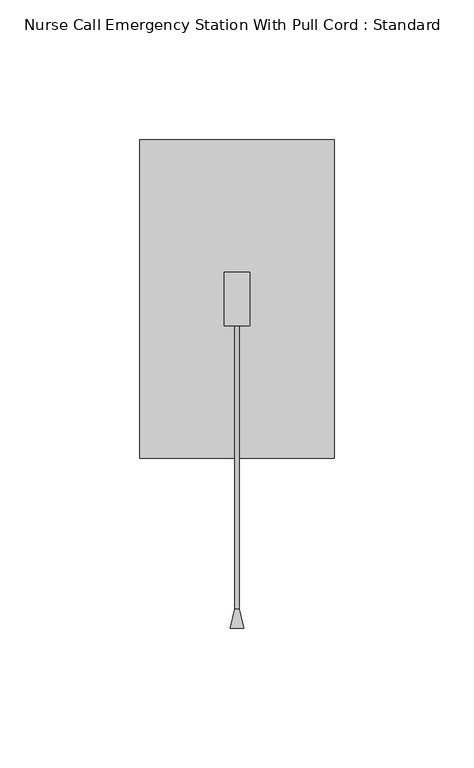
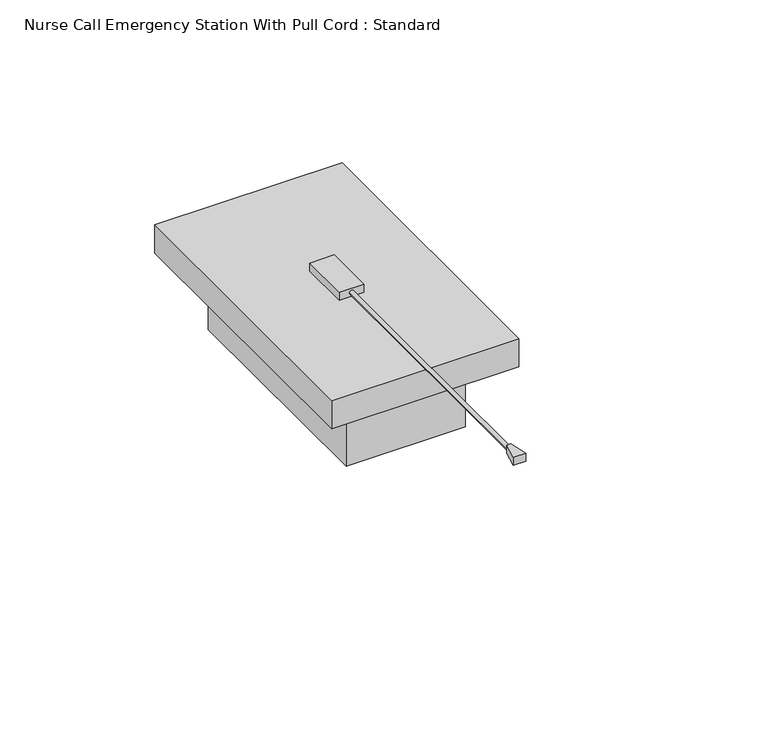
"""IFC4 building model written with IfcOpenShell, lengths in millimetres: switching device geometry, Nurse Call Emergency Station With Pull Cord : Standard."""

import ifcopenshell
import ifcopenshell.guid

model = None  # the IFC model being written
_history = None  # IfcOwnerHistory: only IFC2X3 demands one
_inside = {}  # id of a spatial element -> (the spatial element, [elements in it])
_under = {}  # id of a project, library or spatial element -> (it, [spatial elements below it])
_declared = {}  # id of a project -> (the project, [libraries it declares])
_typed = {}  # id of a type object -> (the type object, [elements of that type])
_made_of = {}  # id of a material, layer set ... -> (it, [elements and type objects made of it])


def new_model(schema):
    """Start an empty IFC model of exactly this schema.

    Asked for "IFC4X3", IfcOpenShell would pick the latest addendum, in which some entities
    have other attributes; the version numbers below select the first issue.
    IFC2X3 requires an IfcOwnerHistory on every rooted entity: one is made here for all.
    """
    global model, _history
    if schema == "IFC4X3":
        model = ifcopenshell.file(schema_version=(4, 3, 0, 0))
    else:
        model = ifcopenshell.file(schema=schema)
    _inside.clear()
    _under.clear()
    _declared.clear()
    _typed.clear()
    _made_of.clear()
    _history = None
    if model.schema == "IFC2X3":
        org = make("IfcOrganization", Name="unknown")
        user = make(
            "IfcPersonAndOrganization",
            ThePerson=make("IfcPerson", FamilyName="unknown"),
            TheOrganization=org,
        )
        app = make(
            "IfcApplication",
            ApplicationDeveloper=org,
            Version="unknown",
            ApplicationFullName="unknown",
            ApplicationIdentifier="unknown",
        )
        _history = make(
            "IfcOwnerHistory",
            OwningUser=user,
            OwningApplication=app,
            ChangeAction="ADDED",
            CreationDate=0,
        )
    return model


def make(cls, **values):
    """One entity of the class cls with the attributes given. An attribute that is None is left unset."""
    return model.create_entity(
        cls, **{name: value for name, value in values.items() if value is not None}
    )


def rooted(cls, **values):
    """An entity with a GlobalId (a new one), such as an element, a storey or a relation."""
    return make(cls, GlobalId=ifcopenshell.guid.new(), OwnerHistory=_history, **values)


def si_unit(unit_type, name, prefix=None):
    """IfcSIUnit, for example si_unit("LENGTHUNIT", "METRE", prefix="MILLI")."""
    return make("IfcSIUnit", UnitType=unit_type, Prefix=prefix, Name=name)


def assignment(units):
    """IfcUnitAssignment: the units of a project."""
    return None if units is None else make("IfcUnitAssignment", Units=units)


def point(xyz):
    """IfcCartesianPoint."""
    return None if xyz is None else make("IfcCartesianPoint", Coordinates=xyz)


def direction(xyz):
    """IfcDirection."""
    return None if xyz is None else make("IfcDirection", DirectionRatios=xyz)


def frame(location, z_axis=None, x_axis=None):
    """IfcAxis2Placement3D, a coordinate frame: its origin and axes. An axis left out is left unset."""
    return make(
        "IfcAxis2Placement3D",
        Location=point(location),
        Axis=direction(z_axis),
        RefDirection=direction(x_axis),
    )


def origin():
    """The frame at (0, 0, 0) with its axes left unset."""
    return frame((0.0, 0.0, 0.0))


def origin_with_axes():
    """The frame at (0, 0, 0) with the z axis (0, 0, 1) and the x axis (1, 0, 0) written out."""
    return frame((0.0, 0.0, 0.0), z_axis=(0.0, 0.0, 1.0), x_axis=(1.0, 0.0, 0.0))


def place(relative_to, where):
    """IfcLocalPlacement: puts the frame where relative to a parent placement (None: the world)."""
    return make(
        "IfcLocalPlacement", PlacementRelTo=relative_to, RelativePlacement=where
    )


def context(
    kind, dimensions, precision=None, world=None, true_north=None, identifier=None
):
    """IfcGeometricRepresentationContext, for example the 3D "Model" context."""
    return make(
        "IfcGeometricRepresentationContext",
        ContextIdentifier=identifier,
        ContextType=kind,
        CoordinateSpaceDimension=dimensions,
        Precision=precision,
        WorldCoordinateSystem=world,
        TrueNorth=true_north,
    )


def project(units=None, contexts=None):
    """IfcProject with its units and contexts."""
    return rooted(
        "IfcProject",
        Name="project",
        RepresentationContexts=contexts,
        UnitsInContext=assignment(units),
    )


def spatial(cls, under=None, at=None, **own):
    """A site, building, storey or space (cls), placed at a placement, below another one or the project."""
    s = rooted(cls, ObjectPlacement=at, **own)
    if under is not None:
        _under.setdefault(under.id(), (under, []))[1].append(s)
    return s


def polyline(points):
    """IfcPolyline through the points."""
    return make("IfcPolyline", Points=[point(p) for p in points])


def circle_curve(where, radius):
    """IfcCircle in the frame where."""
    return make("IfcCircle", Position=where, Radius=radius)


def outline(outer, holes=None, kind="AREA"):
    """IfcArbitraryClosedProfileDef: a profile drawn as a closed curve; with holes, ...WithVoids."""
    if holes is None:
        return make("IfcArbitraryClosedProfileDef", ProfileType=kind, OuterCurve=outer)
    return make(
        "IfcArbitraryProfileDefWithVoids",
        ProfileType=kind,
        OuterCurve=outer,
        InnerCurves=holes,
    )


def extrude(swept, where, along, depth):
    """IfcExtrudedAreaSolid: the profile swept, set in the frame where, extruded along a direction by depth."""
    return make(
        "IfcExtrudedAreaSolid",
        SweptArea=swept,
        Position=where,
        ExtrudedDirection=direction(along),
        Depth=depth,
    )


def shape(context_of_items, identifier, shape_type, items):
    """IfcShapeRepresentation: the items that make up one representation, for example the "Body"."""
    return make(
        "IfcShapeRepresentation",
        ContextOfItems=context_of_items,
        RepresentationIdentifier=identifier,
        RepresentationType=shape_type,
        Items=items,
    )


def source(mapping_origin, context_of_items, identifier, shape_type, items):
    """IfcRepresentationMap: a shape defined once, which mapped items show again and again."""
    return make(
        "IfcRepresentationMap",
        MappingOrigin=mapping_origin,
        MappedRepresentation=shape(context_of_items, identifier, shape_type, items),
    )


def transform(
    local_origin,
    x_axis=None,
    y_axis=None,
    z_axis=None,
    scale=None,
    scale2=None,
    scale3=None,
    uniform=True,
):
    """IfcCartesianTransformationOperator3D, or its non-uniform kind. x_axis, y_axis, z_axis: its Axis1, 2, 3."""
    if uniform:
        return make(
            "IfcCartesianTransformationOperator3D",
            Axis1=direction(x_axis),
            Axis2=direction(y_axis),
            LocalOrigin=point(local_origin),
            Scale=scale,
            Axis3=direction(z_axis),
        )
    return make(
        "IfcCartesianTransformationOperator3DnonUniform",
        Axis1=direction(x_axis),
        Axis2=direction(y_axis),
        LocalOrigin=point(local_origin),
        Scale=scale,
        Axis3=direction(z_axis),
        Scale2=scale2,
        Scale3=scale3,
    )


def mapped(mapping_source, mapping_target):
    """IfcMappedItem: shows the shape of a source again, moved by a transform."""
    return make(
        "IfcMappedItem", MappingSource=mapping_source, MappingTarget=mapping_target
    )


def made_of(thing, what):
    """Note that an element or type object is made of a material, layer set ...; save() writes the relation."""
    if what is not None:
        _made_of.setdefault(what.id(), (what, []))[1].append(thing)
    return thing


def element(
    cls,
    number,
    at=None,
    inside=None,
    cuts=None,
    type_object=None,
    material=None,
    context=None,
    identifier="Body",
    shape_type=None,
    held_by="IfcProductDefinitionShape",
    body=None,
    shapes=None,
    **own,
):
    """One element of the class cls, such as IfcWall. Its Tag is "e" and its number.

    at: its placement. inside: the storey or other place that contains it. cuts: it is an
    opening in that element (IfcRelVoidsElement). A single representation is given by context,
    identifier, shape_type and body (its items); several are given by shapes. held_by: the class
    of the entity that holds the representations. save() writes the other relations.
    """
    e = rooted(cls, Tag="e%d" % number, ObjectPlacement=at, **own)
    if body is not None:
        shapes = [shape(context, identifier, shape_type, body)]
    if shapes is not None:
        e.Representation = make(held_by, Representations=shapes)
    if inside is not None:
        _inside.setdefault(inside.id(), (inside, []))[1].append(e)
    if cuts is not None:
        rooted(
            "IfcRelVoidsElement", RelatingBuildingElement=cuts, RelatedOpeningElement=e
        )
    if type_object is not None:
        _typed.setdefault(type_object.id(), (type_object, []))[1].append(e)
    return made_of(e, material)


def aggregate(whole, parts):
    """IfcRelAggregates: a whole, such as a stair, and the parts it consists of."""
    return rooted("IfcRelAggregates", RelatingObject=whole, RelatedObjects=parts)


def save(model, path):
    """Write the relations noted so far, then the file.

    IfcRelAggregates (storeys below a building ...), IfcRelContainedInSpatialStructure (elements
    in a storey), IfcRelDefinesByType, IfcRelAssociatesMaterial and IfcRelDeclares: one each for
    every whole, place, type object, material and project.
    """
    for whole, parts in _under.values():
        aggregate(whole, parts)
    for where, things in _inside.values():
        rooted(
            "IfcRelContainedInSpatialStructure",
            RelatedElements=things,
            RelatingStructure=where,
        )
    for kind, things in _typed.values():
        rooted("IfcRelDefinesByType", RelatedObjects=things, RelatingType=kind)
    for what, things in _made_of.values():
        rooted("IfcRelAssociatesMaterial", RelatedObjects=things, RelatingMaterial=what)
    for by, libraries in _declared.values():
        rooted("IfcRelDeclares", RelatingContext=by, RelatedDefinitions=libraries)
    model.write(path)


def plane_surface(at):
    """IfcPlane: the flat surface through the origin of the frame at, square to its z axis."""
    return make("IfcPlane", Position=at)


def cylinder_surface(at, radius):
    """IfcCylindricalSurface: all points at the distance radius from the z axis of the frame at."""
    return make("IfcCylindricalSurface", Position=at, Radius=radius)


def advanced_brep(points, edges, surfaces, faces):
    """IfcAdvancedBrep: a solid bounded by faces that lie on surfaces and meet in shared edges.

    An edge is (start, end): straight between two places in points (the first is 0);
    or (start, end, curve); or (start, end, curve, False) where it runs against its curve.
    A face is (place in surfaces, loops), or (place, loops, False) where it looks against
    its surface's normal. A loop lists edges by number (the first is 1), with a minus sign
    where the edge is run from its end to its start. The first loop is the outer one.
    """
    corners = [point(p) for p in points]
    vertices = [make("IfcVertexPoint", VertexGeometry=c) for c in corners]
    made = []
    for start, end, *more in edges:
        made.append(
            make(
                "IfcEdgeCurve",
                EdgeStart=vertices[start],
                EdgeEnd=vertices[end],
                EdgeGeometry=more[0] if more else make("IfcPolyline", Points=[corners[start], corners[end]]),
                SameSense=more[1] if len(more) > 1 else True,
            )
        )
    hull = []
    for where, loops, *sense in faces:
        bounds = []
        for j, loop in enumerate(loops):
            ring = [make("IfcOrientedEdge", EdgeElement=made[abs(k) - 1], Orientation=k > 0) for k in loop]
            bounds.append(
                make(
                    "IfcFaceOuterBound" if j == 0 else "IfcFaceBound",
                    Bound=make("IfcEdgeLoop", EdgeList=ring),
                    Orientation=True,
                )
            )
        hull.append(make("IfcAdvancedFace", Bounds=bounds, FaceSurface=surfaces[where], SameSense=sense[0] if sense else True))
    return make("IfcAdvancedBrep", Outer=make("IfcClosedShell", CfsFaces=hull))


def nurse_call_emergency_station_with_pull_cord_standard_7b488db4(model_context):
    return source(origin(), model_context, "Body", "SolidModel", [
        advanced_brep(
        [(2.38125, -175.2012387, 14.2875), (0.79375, -168.275, 14.2875), (-0.79375, -168.275, 14.2875), (-2.38125, -175.2012387, 14.2875), (2.38125, -175.2012387, 11.1125), (-2.38125, -175.2012387, 11.1125), (-0.79375, -168.275, 11.1125), (0.79375, -168.275, 11.1125), (0.79375, -168.275, 12.7), (-0.79375, -168.275, 12.7), (-0.79375, -66.675, 12.7), (0.79375, -66.675, 12.7)],
        [
            (0, 1),
            (1, 2),
            (2, 3),
            (3, 0),
            (4, 5),
            (5, 6),
            (6, 7),
            (7, 4),
            (0, 4),
            (7, 8),
            (8, 1),
            (8, 9, circle_curve(frame((0.0, -168.275, 12.7), z_axis=(0.0, -1.0, 0.0), x_axis=(1.0, 0.0, 0.0)), 0.79375)),
            (9, 2),
            (6, 9),
            (9, 8, circle_curve(frame((0.0, -168.275, 12.7), z_axis=(0.0, -1.0, 0.0), x_axis=(1.0, 0.0, 0.0)), 0.79375)),
            (5, 3),
            (10, 11, circle_curve(frame((0.0, -66.675, 12.7), z_axis=(0.0, 1.0, 0.0), x_axis=(1.0, 0.0, 0.0)), 0.79375)),
            (11, 10, circle_curve(frame((0.0, -66.675, 12.7), z_axis=(0.0, 1.0, 0.0), x_axis=(1.0, 0.0, 0.0)), 0.79375)),
            (11, 8),
            (9, 10),
        ],
        [
            plane_surface(frame((2.38125, -175.2012387, 14.2875), z_axis=(0.0, 0.0, 1.0), x_axis=(-0.2234078407315442, 0.9747250569774376, 0.0))),
            plane_surface(frame((2.38125, -175.2012387, 11.1125), z_axis=(0.0, 0.0, -1.0), x_axis=(0.2234078407315442, -0.9747250569774376, 0.0))),
            plane_surface(frame((2.38125, -175.2012387, 14.2875), z_axis=(0.9747250569774376, 0.2234078407315442, 0.0), x_axis=(0.0, 0.0, -1.0))),
            plane_surface(frame((0.79375, -168.275, 14.2875), z_axis=(0.0, 1.0, 0.0), x_axis=(0.0, 0.0, -1.0))),
            plane_surface(frame((-0.79375, -168.275, 14.2875), z_axis=(-0.9747250569774369, 0.22340784073154704, 0.0), x_axis=(0.0, 0.0, -1.0))),
            plane_surface(frame((-2.38125, -175.2012387, 14.2875), z_axis=(0.0, -1.0, 0.0), x_axis=(0.0, 0.0, -1.0))),
            plane_surface(frame((0.79375, -66.675, 12.7), z_axis=(0.0, 1.0, 0.0), x_axis=(0.0, 0.0, -1.0))),
            cylinder_surface(frame((0.0, -66.675, 12.7), z_axis=(0.0, -1.0, 0.0), x_axis=(1.0, 0.0, 0.0)), 0.79375),
        ],
        [
            (0, [[1, 2, 3, 4]]),
            (1, [[5, 6, 7, 8]]),
            (2, [[-1, 9, -8, 10, 11]]),
            (3, [[-2, -11, 12, 13]]),
            (3, [[-7, 14, 15, -10]]),
            (4, [[-3, -13, -14, -6, 16]]),
            (5, [[-4, -16, -5, -9]]),
            (6, [[17, 18]]),
            (7, [[-18, 19, -15, 20]]),
            (7, [[-17, -20, -12, -19]]),
        ],
    ),
        extrude(outline(polyline([(4.5511511, -47.625), (4.5511511, -66.675), (-4.5511511, -66.675), (-4.5511511, -47.625), (4.5511511, -47.625)])), frame((0.0, 0.0, 11.1125), z_axis=(0.0, 0.0, 1.0), x_axis=(1.0, 0.0, 0.0)), (0.0, 0.0, 1.0), 3.175),
        extrude(outline(polyline([(34.925, 0.0), (34.925, -114.3), (-34.925, -114.3), (-34.925, 0.0), (34.925, 0.0)])), origin_with_axes(), (0.0, 0.0, 1.0), 11.1125),
        extrude(outline(polyline([(22.225, -12.7), (22.225, -101.6), (-22.225, -101.6), (-22.225, -12.7), (22.225, -12.7)])), frame((0.0, 0.0, -26.9875), z_axis=(0.0, 0.0, 1.0), x_axis=(1.0, 0.0, 0.0)), (0.0, 0.0, 1.0), 26.9875),
    ])


if __name__ == "__main__":
    model = new_model("IFC4")
    model_context = context("Model", 3, world=origin())
    ifc_project = project(units=[si_unit("LENGTHUNIT", "METRE", prefix="MILLI")], contexts=[model_context])
    site = spatial("IfcSite", under=ifc_project)
    building = spatial("IfcBuilding", under=site)
    placement = place(None, origin())
    nurse_call_emergency_station_with_pull_cord_standard_shape = nurse_call_emergency_station_with_pull_cord_standard_7b488db4(model_context)
    element("IfcSwitchingDevice", 1, ObjectType="Nurse Call Emergency Station With Pull Cord : Standard", at=placement, inside=building, context=model_context, shape_type="MappedRepresentation", body=[
        mapped(nurse_call_emergency_station_with_pull_cord_standard_shape, transform((0.0, 0.0, 0.0), x_axis=(1.0, 0.0, 0.0), y_axis=(0.0, 1.0, 0.0), z_axis=(0.0, 0.0, 1.0))),
    ])
    save(model, "model.ifc")
